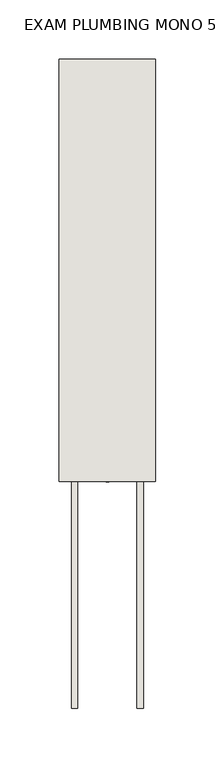
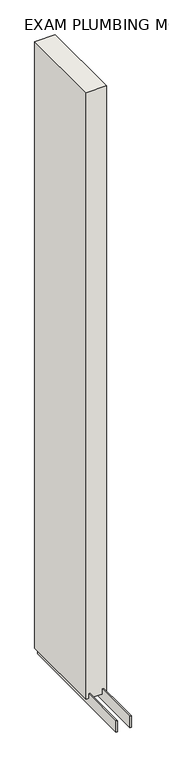
"""IFC4 building model written with IfcOpenShell, lengths in millimetres: wall geometry, EXAM PLUMBING MONO 533436 : EXAM PLUMBING MONO 533436."""

import ifcopenshell
import ifcopenshell.guid

model = None  # the IFC model being written
_history = None  # IfcOwnerHistory: only IFC2X3 demands one
_inside = {}  # id of a spatial element -> (the spatial element, [elements in it])
_under = {}  # id of a project, library or spatial element -> (it, [spatial elements below it])
_declared = {}  # id of a project -> (the project, [libraries it declares])
_typed = {}  # id of a type object -> (the type object, [elements of that type])
_made_of = {}  # id of a material, layer set ... -> (it, [elements and type objects made of it])


def new_model(schema):
    """Start an empty IFC model of exactly this schema.

    Asked for "IFC4X3", IfcOpenShell would pick the latest addendum, in which some entities
    have other attributes; the version numbers below select the first issue.
    IFC2X3 requires an IfcOwnerHistory on every rooted entity: one is made here for all.
    """
    global model, _history
    if schema == "IFC4X3":
        model = ifcopenshell.file(schema_version=(4, 3, 0, 0))
    else:
        model = ifcopenshell.file(schema=schema)
    _inside.clear()
    _under.clear()
    _declared.clear()
    _typed.clear()
    _made_of.clear()
    _history = None
    if model.schema == "IFC2X3":
        org = make("IfcOrganization", Name="unknown")
        user = make(
            "IfcPersonAndOrganization",
            ThePerson=make("IfcPerson", FamilyName="unknown"),
            TheOrganization=org,
        )
        app = make(
            "IfcApplication",
            ApplicationDeveloper=org,
            Version="unknown",
            ApplicationFullName="unknown",
            ApplicationIdentifier="unknown",
        )
        _history = make(
            "IfcOwnerHistory",
            OwningUser=user,
            OwningApplication=app,
            ChangeAction="ADDED",
            CreationDate=0,
        )
    return model


def make(cls, **values):
    """One entity of the class cls with the attributes given. An attribute that is None is left unset."""
    return model.create_entity(
        cls, **{name: value for name, value in values.items() if value is not None}
    )


def rooted(cls, **values):
    """An entity with a GlobalId (a new one), such as an element, a storey or a relation."""
    return make(cls, GlobalId=ifcopenshell.guid.new(), OwnerHistory=_history, **values)


def si_unit(unit_type, name, prefix=None):
    """IfcSIUnit, for example si_unit("LENGTHUNIT", "METRE", prefix="MILLI")."""
    return make("IfcSIUnit", UnitType=unit_type, Prefix=prefix, Name=name)


def assignment(units):
    """IfcUnitAssignment: the units of a project."""
    return None if units is None else make("IfcUnitAssignment", Units=units)


def point(xyz):
    """IfcCartesianPoint."""
    return None if xyz is None else make("IfcCartesianPoint", Coordinates=xyz)


def direction(xyz):
    """IfcDirection."""
    return None if xyz is None else make("IfcDirection", DirectionRatios=xyz)


def frame(location, z_axis=None, x_axis=None):
    """IfcAxis2Placement3D, a coordinate frame: its origin and axes. An axis left out is left unset."""
    return make(
        "IfcAxis2Placement3D",
        Location=point(location),
        Axis=direction(z_axis),
        RefDirection=direction(x_axis),
    )


def origin():
    """The frame at (0, 0, 0) with its axes left unset."""
    return frame((0.0, 0.0, 0.0))


def place(relative_to, where):
    """IfcLocalPlacement: puts the frame where relative to a parent placement (None: the world)."""
    return make(
        "IfcLocalPlacement", PlacementRelTo=relative_to, RelativePlacement=where
    )


def context(
    kind, dimensions, precision=None, world=None, true_north=None, identifier=None
):
    """IfcGeometricRepresentationContext, for example the 3D "Model" context."""
    return make(
        "IfcGeometricRepresentationContext",
        ContextIdentifier=identifier,
        ContextType=kind,
        CoordinateSpaceDimension=dimensions,
        Precision=precision,
        WorldCoordinateSystem=world,
        TrueNorth=true_north,
    )


def project(units=None, contexts=None):
    """IfcProject with its units and contexts."""
    return rooted(
        "IfcProject",
        Name="project",
        RepresentationContexts=contexts,
        UnitsInContext=assignment(units),
    )


def spatial(cls, under=None, at=None, **own):
    """A site, building, storey or space (cls), placed at a placement, below another one or the project."""
    s = rooted(cls, ObjectPlacement=at, **own)
    if under is not None:
        _under.setdefault(under.id(), (under, []))[1].append(s)
    return s


def polyline(points):
    """IfcPolyline through the points."""
    return make("IfcPolyline", Points=[point(p) for p in points])


def outline(outer, holes=None, kind="AREA"):
    """IfcArbitraryClosedProfileDef: a profile drawn as a closed curve; with holes, ...WithVoids."""
    if holes is None:
        return make("IfcArbitraryClosedProfileDef", ProfileType=kind, OuterCurve=outer)
    return make(
        "IfcArbitraryProfileDefWithVoids",
        ProfileType=kind,
        OuterCurve=outer,
        InnerCurves=holes,
    )


def extrude(swept, where, along, depth):
    """IfcExtrudedAreaSolid: the profile swept, set in the frame where, extruded along a direction by depth."""
    return make(
        "IfcExtrudedAreaSolid",
        SweptArea=swept,
        Position=where,
        ExtrudedDirection=direction(along),
        Depth=depth,
    )


def shape(context_of_items, identifier, shape_type, items):
    """IfcShapeRepresentation: the items that make up one representation, for example the "Body"."""
    return make(
        "IfcShapeRepresentation",
        ContextOfItems=context_of_items,
        RepresentationIdentifier=identifier,
        RepresentationType=shape_type,
        Items=items,
    )


def source(mapping_origin, context_of_items, identifier, shape_type, items):
    """IfcRepresentationMap: a shape defined once, which mapped items show again and again."""
    return make(
        "IfcRepresentationMap",
        MappingOrigin=mapping_origin,
        MappedRepresentation=shape(context_of_items, identifier, shape_type, items),
    )


def transform(
    local_origin,
    x_axis=None,
    y_axis=None,
    z_axis=None,
    scale=None,
    scale2=None,
    scale3=None,
    uniform=True,
):
    """IfcCartesianTransformationOperator3D, or its non-uniform kind. x_axis, y_axis, z_axis: its Axis1, 2, 3."""
    if uniform:
        return make(
            "IfcCartesianTransformationOperator3D",
            Axis1=direction(x_axis),
            Axis2=direction(y_axis),
            LocalOrigin=point(local_origin),
            Scale=scale,
            Axis3=direction(z_axis),
        )
    return make(
        "IfcCartesianTransformationOperator3DnonUniform",
        Axis1=direction(x_axis),
        Axis2=direction(y_axis),
        LocalOrigin=point(local_origin),
        Scale=scale,
        Axis3=direction(z_axis),
        Scale2=scale2,
        Scale3=scale3,
    )


def mapped(mapping_source, mapping_target):
    """IfcMappedItem: shows the shape of a source again, moved by a transform."""
    return make(
        "IfcMappedItem", MappingSource=mapping_source, MappingTarget=mapping_target
    )


def made_of(thing, what):
    """Note that an element or type object is made of a material, layer set ...; save() writes the relation."""
    if what is not None:
        _made_of.setdefault(what.id(), (what, []))[1].append(thing)
    return thing


def element(
    cls,
    number,
    at=None,
    inside=None,
    cuts=None,
    type_object=None,
    material=None,
    context=None,
    identifier="Body",
    shape_type=None,
    held_by="IfcProductDefinitionShape",
    body=None,
    shapes=None,
    **own,
):
    """One element of the class cls, such as IfcWall. Its Tag is "e" and its number.

    at: its placement. inside: the storey or other place that contains it. cuts: it is an
    opening in that element (IfcRelVoidsElement). A single representation is given by context,
    identifier, shape_type and body (its items); several are given by shapes. held_by: the class
    of the entity that holds the representations. save() writes the other relations.
    """
    e = rooted(cls, Tag="e%d" % number, ObjectPlacement=at, **own)
    if body is not None:
        shapes = [shape(context, identifier, shape_type, body)]
    if shapes is not None:
        e.Representation = make(held_by, Representations=shapes)
    if inside is not None:
        _inside.setdefault(inside.id(), (inside, []))[1].append(e)
    if cuts is not None:
        rooted(
            "IfcRelVoidsElement", RelatingBuildingElement=cuts, RelatedOpeningElement=e
        )
    if type_object is not None:
        _typed.setdefault(type_object.id(), (type_object, []))[1].append(e)
    return made_of(e, material)


def aggregate(whole, parts):
    """IfcRelAggregates: a whole, such as a stair, and the parts it consists of."""
    return rooted("IfcRelAggregates", RelatingObject=whole, RelatedObjects=parts)


def save(model, path):
    """Write the relations noted so far, then the file.

    IfcRelAggregates (storeys below a building ...), IfcRelContainedInSpatialStructure (elements
    in a storey), IfcRelDefinesByType, IfcRelAssociatesMaterial and IfcRelDeclares: one each for
    every whole, place, type object, material and project.
    """
    for whole, parts in _under.values():
        aggregate(whole, parts)
    for where, things in _inside.values():
        rooted(
            "IfcRelContainedInSpatialStructure",
            RelatedElements=things,
            RelatingStructure=where,
        )
    for kind, things in _typed.values():
        rooted("IfcRelDefinesByType", RelatedObjects=things, RelatingType=kind)
    for what, things in _made_of.values():
        rooted("IfcRelAssociatesMaterial", RelatedObjects=things, RelatingMaterial=what)
    for by, libraries in _declared.values():
        rooted("IfcRelDeclares", RelatingContext=by, RelatedDefinitions=libraries)
    model.write(path)


def exam_plumbing_mono_533436_exam_plumbing_mono_533436_ec90e796(model_context):
    return source(origin(), model_context, "Body", "SweptSolid", [
        extrude(outline(polyline([(44102.7108038, -55142.5615968), (44102.7108038, -55140.0215968), (44105.2508038, -55140.0215968), (44105.2508038, -55142.5615968), (44102.7108038, -55142.5615968)])), frame((0.0, 0.0, 4419.6), z_axis=(0.0, 0.0, 1.0), x_axis=(1.0, 0.0, 0.0)), (0.0, 0.0, 1.0), 2.54),
        extrude(outline(polyline([(44129.070746, -55333.0628414), (44129.070746, -54786.9628414), (44134.1495014, -54786.9628414), (44134.1495014, -55333.0628414), (44129.070746, -55333.0628414)])), frame((0.0, 0.0, 4418.6602), z_axis=(0.0, 0.0, 1.0), x_axis=(1.0, 0.0, 0.0)), (0.0, 0.0, 1.0), 47.625),
        extrude(outline(polyline([(44129.070746, -55333.0628414), (44129.070746, -54786.9628414), (44134.1495014, -54786.9628414), (44134.1495014, -55333.0628414), (44129.070746, -55333.0628414)])), frame((0.0, 0.0, 4418.6602), z_axis=(0.0, 0.0, 1.0), x_axis=(1.0, 0.0, 0.0)), (0.0, 0.0, 1.0), 47.625),
        extrude(outline(polyline([(44078.906381, -54786.9628414), (44078.906381, -55333.0628414), (44073.8245014, -55333.0628414), (44073.8245014, -54786.9628414), (44078.906381, -54786.9628414)])), frame((0.0, 0.0, 4418.6602), z_axis=(0.0, 0.0, 1.0), x_axis=(1.0, 0.0, 0.0)), (0.0, 0.0, 1.0), 47.625),
        extrude(outline(polyline([(44078.906381, -54786.9628414), (44078.906381, -55333.0628414), (44073.8245014, -55333.0628414), (44073.8245014, -54786.9628414), (44078.906381, -54786.9628414)])), frame((0.0, 0.0, 4418.6602), z_axis=(0.0, 0.0, 1.0), x_axis=(1.0, 0.0, 0.0)), (0.0, 0.0, 1.0), 47.625),
        extrude(outline(polyline([(44144.6170954, -55142.5628414), (44063.3352412, -55142.5628414), (44063.3352412, -54786.9628414), (44144.6170954, -54786.9628414), (44144.6170954, -55142.5628414)])), frame((0.0, 0.0, 4445.0), z_axis=(0.0, 0.0, 1.0), x_axis=(1.0, 0.0, 0.0)), (0.0, 0.0, 1.0), 2562.4536762),
    ])


if __name__ == "__main__":
    model = new_model("IFC4")
    model_context = context("Model", 3, world=origin())
    ifc_project = project(units=[si_unit("LENGTHUNIT", "METRE", prefix="MILLI")], contexts=[model_context])
    site = spatial("IfcSite", under=ifc_project)
    building = spatial("IfcBuilding", under=site)
    placement = place(None, origin())
    exam_plumbing_mono_533436_exam_plumbing_mono_533436_shape = exam_plumbing_mono_533436_exam_plumbing_mono_533436_ec90e796(model_context)
    element("IfcWall", 1, ObjectType="EXAM PLUMBING MONO 533436 : EXAM PLUMBING MONO 533436", at=placement, inside=building, context=model_context, shape_type="MappedRepresentation", body=[
        mapped(exam_plumbing_mono_533436_exam_plumbing_mono_533436_shape, transform((0.0, 0.0, 0.0), x_axis=(1.0, 0.0, 0.0), y_axis=(0.0, 1.0, 0.0), z_axis=(0.0, 0.0, 1.0))),
    ])
    save(model, "model.ifc")
